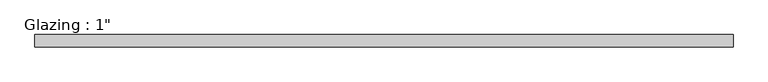
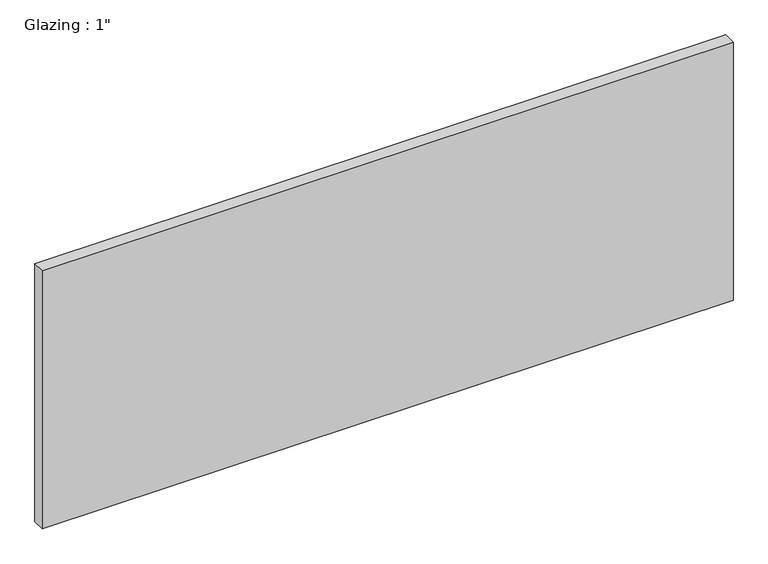
"""IFC4 building model written with IfcOpenShell, lengths in millimetres: plate geometry."""

from ifc_helpers import new_model, si_unit, origin, origin_with_axes, place, context, project, spatial, polyline, outline, extrude, source, transform, mapped, element, save


def plate_1ce08d9b(model_context):
    return source(origin(), model_context, "Body", "SweptSolid", [
        extrude(outline(polyline([(709.0714792, 12.7), (709.0714792, -12.7), (-709.0714792, -12.7), (-709.0714792, 12.7), (709.0714792, 12.7)])), origin_with_axes(), (0.0, 0.0, 1.0), 560.0039722),
    ])


if __name__ == "__main__":
    model = new_model("IFC4")
    model_context = context("Model", 3, world=origin())
    ifc_project = project(units=[si_unit("LENGTHUNIT", "METRE", prefix="MILLI")], contexts=[model_context])
    site = spatial("IfcSite", under=ifc_project)
    building = spatial("IfcBuilding", under=site)
    placement = place(None, origin())
    plate_shape = plate_1ce08d9b(model_context)
    element("IfcPlate", 1, ObjectType="Glazing : 1\"", at=placement, inside=building, context=model_context, shape_type="MappedRepresentation", body=[
        mapped(plate_shape, transform((0.0, 0.0, 0.0), x_axis=(1.0, 0.0, 0.0), y_axis=(0.0, 1.0, 0.0), z_axis=(0.0, 0.0, 1.0))),
    ])
    save(model, "model.ifc")
